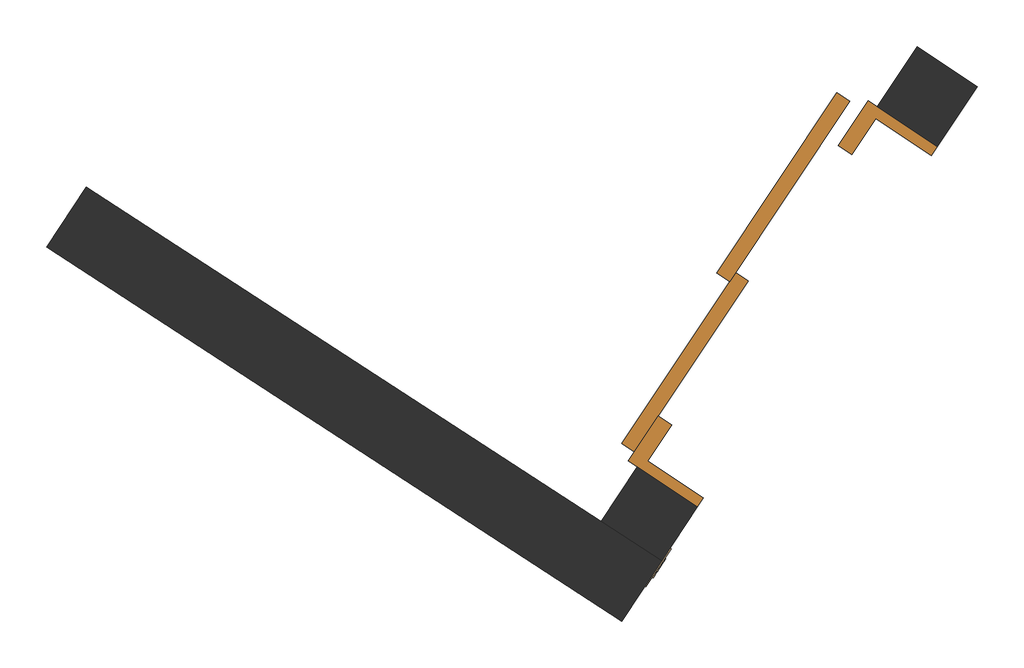
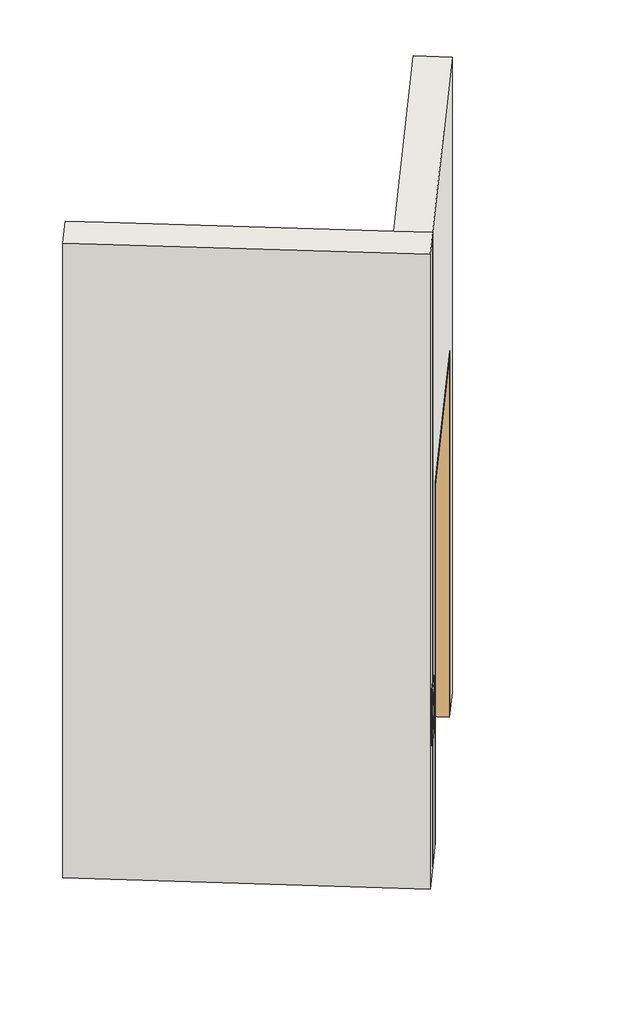
# One storey, part 10 of 18: 2 walls, 1 door.
"""IFC4 building model written with IfcOpenShell, lengths in millimetres."""

import ifcopenshell
import ifcopenshell.guid

model = None  # the IFC model being written
_history = None  # IfcOwnerHistory: only IFC2X3 demands one
_inside = {}  # id of a spatial element -> (the spatial element, [elements in it])
_under = {}  # id of a project, library or spatial element -> (it, [spatial elements below it])
_declared = {}  # id of a project -> (the project, [libraries it declares])
_typed = {}  # id of a type object -> (the type object, [elements of that type])
_made_of = {}  # id of a material, layer set ... -> (it, [elements and type objects made of it])


def new_model(schema):
    """Start an empty IFC model of exactly this schema.

    Asked for "IFC4X3", IfcOpenShell would pick the latest addendum, in which some entities
    have other attributes; the version numbers below select the first issue.
    IFC2X3 requires an IfcOwnerHistory on every rooted entity: one is made here for all.
    """
    global model, _history
    if schema == "IFC4X3":
        model = ifcopenshell.file(schema_version=(4, 3, 0, 0))
    else:
        model = ifcopenshell.file(schema=schema)
    _inside.clear()
    _under.clear()
    _declared.clear()
    _typed.clear()
    _made_of.clear()
    _history = None
    if model.schema == "IFC2X3":
        org = make("IfcOrganization", Name="unknown")
        user = make(
            "IfcPersonAndOrganization",
            ThePerson=make("IfcPerson", FamilyName="unknown"),
            TheOrganization=org,
        )
        app = make(
            "IfcApplication",
            ApplicationDeveloper=org,
            Version="unknown",
            ApplicationFullName="unknown",
            ApplicationIdentifier="unknown",
        )
        _history = make(
            "IfcOwnerHistory",
            OwningUser=user,
            OwningApplication=app,
            ChangeAction="ADDED",
            CreationDate=0,
        )
    return model


def make(cls, **values):
    """One entity of the class cls with the attributes given. An attribute that is None is left unset."""
    return model.create_entity(
        cls, **{name: value for name, value in values.items() if value is not None}
    )


def rooted(cls, **values):
    """An entity with a GlobalId (a new one), such as an element, a storey or a relation."""
    return make(cls, GlobalId=ifcopenshell.guid.new(), OwnerHistory=_history, **values)


def si_unit(unit_type, name, prefix=None):
    """IfcSIUnit, for example si_unit("LENGTHUNIT", "METRE", prefix="MILLI")."""
    return make("IfcSIUnit", UnitType=unit_type, Prefix=prefix, Name=name)


def assignment(units):
    """IfcUnitAssignment: the units of a project."""
    return None if units is None else make("IfcUnitAssignment", Units=units)


def point(xyz):
    """IfcCartesianPoint."""
    return None if xyz is None else make("IfcCartesianPoint", Coordinates=xyz)


def direction(xyz):
    """IfcDirection."""
    return None if xyz is None else make("IfcDirection", DirectionRatios=xyz)


def frame(location, z_axis=None, x_axis=None):
    """IfcAxis2Placement3D, a coordinate frame: its origin and axes. An axis left out is left unset."""
    return make(
        "IfcAxis2Placement3D",
        Location=point(location),
        Axis=direction(z_axis),
        RefDirection=direction(x_axis),
    )


def frame_2d(location, x_axis=None):
    """IfcAxis2Placement2D, a coordinate frame in the plane: its origin and x axis."""
    return make(
        "IfcAxis2Placement2D", Location=point(location), RefDirection=direction(x_axis)
    )


def origin():
    """The frame at (0, 0, 0) with its axes left unset."""
    return frame((0.0, 0.0, 0.0))


def origin_with_axes():
    """The frame at (0, 0, 0) with the z axis (0, 0, 1) and the x axis (1, 0, 0) written out."""
    return frame((0.0, 0.0, 0.0), z_axis=(0.0, 0.0, 1.0), x_axis=(1.0, 0.0, 0.0))


def place(relative_to, where):
    """IfcLocalPlacement: puts the frame where relative to a parent placement (None: the world)."""
    return make(
        "IfcLocalPlacement", PlacementRelTo=relative_to, RelativePlacement=where
    )


def context(
    kind, dimensions, precision=None, world=None, true_north=None, identifier=None
):
    """IfcGeometricRepresentationContext, for example the 3D "Model" context."""
    return make(
        "IfcGeometricRepresentationContext",
        ContextIdentifier=identifier,
        ContextType=kind,
        CoordinateSpaceDimension=dimensions,
        Precision=precision,
        WorldCoordinateSystem=world,
        TrueNorth=true_north,
    )


def project(units=None, contexts=None):
    """IfcProject with its units and contexts."""
    return rooted(
        "IfcProject",
        Name="project",
        RepresentationContexts=contexts,
        UnitsInContext=assignment(units),
    )


def spatial(cls, under=None, at=None, **own):
    """A site, building, storey or space (cls), placed at a placement, below another one or the project."""
    s = rooted(cls, ObjectPlacement=at, **own)
    if under is not None:
        _under.setdefault(under.id(), (under, []))[1].append(s)
    return s


def polyline(points):
    """IfcPolyline through the points."""
    return make("IfcPolyline", Points=[point(p) for p in points])


def circle_curve(where, radius):
    """IfcCircle in the frame where."""
    return make("IfcCircle", Position=where, Radius=radius)


def trimmed(basis, trim1, trim2, sense, master):
    """IfcTrimmedCurve: the piece of a basis curve between two trims."""
    return make(
        "IfcTrimmedCurve",
        BasisCurve=basis,
        Trim1=trim1,
        Trim2=trim2,
        SenseAgreement=sense,
        MasterRepresentation=master,
    )


def segment(curve, same_sense, transition):
    """IfcCompositeCurveSegment."""
    return make(
        "IfcCompositeCurveSegment",
        Transition=transition,
        SameSense=same_sense,
        ParentCurve=curve,
    )


def composite_curve(segments, self_intersect=None):
    """IfcCompositeCurve: segments joined end to end."""
    return make("IfcCompositeCurve", Segments=segments, SelfIntersect=self_intersect)


def outline(outer, holes=None, kind="AREA"):
    """IfcArbitraryClosedProfileDef: a profile drawn as a closed curve; with holes, ...WithVoids."""
    if holes is None:
        return make("IfcArbitraryClosedProfileDef", ProfileType=kind, OuterCurve=outer)
    return make(
        "IfcArbitraryProfileDefWithVoids",
        ProfileType=kind,
        OuterCurve=outer,
        InnerCurves=holes,
    )


def extrude(swept, where, along, depth):
    """IfcExtrudedAreaSolid: the profile swept, set in the frame where, extruded along a direction by depth."""
    return make(
        "IfcExtrudedAreaSolid",
        SweptArea=swept,
        Position=where,
        ExtrudedDirection=direction(along),
        Depth=depth,
    )


def faces_of(points, faces, orient=None, outer=None):
    """IfcFace entities. A face is a list of loops; a loop is a list of indices into points, from 0.

    orient and outer hold one flag for each loop. By default every Orientation is true, the
    first loop of a face is its IfcFaceOuterBound and the others are IfcFaceBound.
    """
    made = []
    for i, loops in enumerate(faces):
        bounds = []
        for j, loop in enumerate(loops):
            is_outer = j == 0 if outer is None else outer[i][j]
            bounds.append(
                make(
                    "IfcFaceOuterBound" if is_outer else "IfcFaceBound",
                    Bound=make("IfcPolyLoop", Polygon=[points[k] for k in loop]),
                    Orientation=True if orient is None else orient[i][j],
                )
            )
        made.append(make("IfcFace", Bounds=bounds))
    return made


def faceted_brep(points, faces, orient=None, outer=None, voids=None):
    """IfcFacetedBrep: a solid bounded by flat faces; with voids (closed shells), ...WithVoids."""
    shared = [point(p) for p in points]
    hull = make("IfcClosedShell", CfsFaces=faces_of(shared, faces, orient, outer))
    if voids is None:
        return make("IfcFacetedBrep", Outer=hull)
    return make(
        "IfcFacetedBrepWithVoids",
        Outer=hull,
        Voids=[
            make(cls, CfsFaces=faces_of(shared, fs, o, b)) for cls, fs, o, b in voids
        ],
    )


def shape(context_of_items, identifier, shape_type, items):
    """IfcShapeRepresentation: the items that make up one representation, for example the "Body"."""
    return make(
        "IfcShapeRepresentation",
        ContextOfItems=context_of_items,
        RepresentationIdentifier=identifier,
        RepresentationType=shape_type,
        Items=items,
    )


def source(mapping_origin, context_of_items, identifier, shape_type, items):
    """IfcRepresentationMap: a shape defined once, which mapped items show again and again."""
    return make(
        "IfcRepresentationMap",
        MappingOrigin=mapping_origin,
        MappedRepresentation=shape(context_of_items, identifier, shape_type, items),
    )


def transform(
    local_origin,
    x_axis=None,
    y_axis=None,
    z_axis=None,
    scale=None,
    scale2=None,
    scale3=None,
    uniform=True,
):
    """IfcCartesianTransformationOperator3D, or its non-uniform kind. x_axis, y_axis, z_axis: its Axis1, 2, 3."""
    if uniform:
        return make(
            "IfcCartesianTransformationOperator3D",
            Axis1=direction(x_axis),
            Axis2=direction(y_axis),
            LocalOrigin=point(local_origin),
            Scale=scale,
            Axis3=direction(z_axis),
        )
    return make(
        "IfcCartesianTransformationOperator3DnonUniform",
        Axis1=direction(x_axis),
        Axis2=direction(y_axis),
        LocalOrigin=point(local_origin),
        Scale=scale,
        Axis3=direction(z_axis),
        Scale2=scale2,
        Scale3=scale3,
    )


def mapped(mapping_source, mapping_target):
    """IfcMappedItem: shows the shape of a source again, moved by a transform."""
    return make(
        "IfcMappedItem", MappingSource=mapping_source, MappingTarget=mapping_target
    )


def made_of(thing, what):
    """Note that an element or type object is made of a material, layer set ...; save() writes the relation."""
    if what is not None:
        _made_of.setdefault(what.id(), (what, []))[1].append(thing)
    return thing


def element(
    cls,
    number,
    at=None,
    inside=None,
    cuts=None,
    type_object=None,
    material=None,
    context=None,
    identifier="Body",
    shape_type=None,
    held_by="IfcProductDefinitionShape",
    body=None,
    shapes=None,
    **own,
):
    """One element of the class cls, such as IfcWall. Its Tag is "e" and its number.

    at: its placement. inside: the storey or other place that contains it. cuts: it is an
    opening in that element (IfcRelVoidsElement). A single representation is given by context,
    identifier, shape_type and body (its items); several are given by shapes. held_by: the class
    of the entity that holds the representations. save() writes the other relations.
    """
    e = rooted(cls, Tag="e%d" % number, ObjectPlacement=at, **own)
    if body is not None:
        shapes = [shape(context, identifier, shape_type, body)]
    if shapes is not None:
        e.Representation = make(held_by, Representations=shapes)
    if inside is not None:
        _inside.setdefault(inside.id(), (inside, []))[1].append(e)
    if cuts is not None:
        rooted(
            "IfcRelVoidsElement", RelatingBuildingElement=cuts, RelatedOpeningElement=e
        )
    if type_object is not None:
        _typed.setdefault(type_object.id(), (type_object, []))[1].append(e)
    return made_of(e, material)


def aggregate(whole, parts):
    """IfcRelAggregates: a whole, such as a stair, and the parts it consists of."""
    return rooted("IfcRelAggregates", RelatingObject=whole, RelatedObjects=parts)


def save(model, path):
    """Write the relations noted so far, then the file.

    IfcRelAggregates (storeys below a building ...), IfcRelContainedInSpatialStructure (elements
    in a storey), IfcRelDefinesByType, IfcRelAssociatesMaterial and IfcRelDeclares: one each for
    every whole, place, type object, material and project.
    """
    for whole, parts in _under.values():
        aggregate(whole, parts)
    for where, things in _inside.values():
        rooted(
            "IfcRelContainedInSpatialStructure",
            RelatedElements=things,
            RelatingStructure=where,
        )
    for kind, things in _typed.values():
        rooted("IfcRelDefinesByType", RelatedObjects=things, RelatingType=kind)
    for what, things in _made_of.values():
        rooted("IfcRelAssociatesMaterial", RelatedObjects=things, RelatingMaterial=what)
    for by, libraries in _declared.values():
        rooted("IfcRelDeclares", RelatingContext=by, RelatedDefinitions=libraries)
    model.write(path)


def plane_surface(at):
    """IfcPlane: the flat surface through the origin of the frame at, square to its z axis."""
    return make("IfcPlane", Position=at)


def cylinder_surface(at, radius):
    """IfcCylindricalSurface: all points at the distance radius from the z axis of the frame at."""
    return make("IfcCylindricalSurface", Position=at, Radius=radius)


def revolved_surface(curve, axis_point, axis_direction):
    """IfcSurfaceOfRevolution: the curve turned about the line through axis_point along axis_direction."""
    return make(
        "IfcSurfaceOfRevolution",
        SweptCurve=make("IfcArbitraryOpenProfileDef", ProfileType="CURVE", Curve=curve),
        AxisPosition=make("IfcAxis1Placement", Location=point(axis_point), Axis=direction(axis_direction)),
    )


def advanced_brep(points, edges, surfaces, faces):
    """IfcAdvancedBrep: a solid bounded by faces that lie on surfaces and meet in shared edges.

    An edge is (start, end): straight between two places in points (the first is 0);
    or (start, end, curve); or (start, end, curve, False) where it runs against its curve.
    A face is (place in surfaces, loops), or (place, loops, False) where it looks against
    its surface's normal. A loop lists edges by number (the first is 1), with a minus sign
    where the edge is run from its end to its start. The first loop is the outer one.
    """
    corners = [point(p) for p in points]
    vertices = [make("IfcVertexPoint", VertexGeometry=c) for c in corners]
    made = []
    for start, end, *more in edges:
        made.append(
            make(
                "IfcEdgeCurve",
                EdgeStart=vertices[start],
                EdgeEnd=vertices[end],
                EdgeGeometry=more[0] if more else make("IfcPolyline", Points=[corners[start], corners[end]]),
                SameSense=more[1] if len(more) > 1 else True,
            )
        )
    hull = []
    for where, loops, *sense in faces:
        bounds = []
        for j, loop in enumerate(loops):
            ring = [make("IfcOrientedEdge", EdgeElement=made[abs(k) - 1], Orientation=k > 0) for k in loop]
            bounds.append(
                make(
                    "IfcFaceOuterBound" if j == 0 else "IfcFaceBound",
                    Bound=make("IfcEdgeLoop", EdgeList=ring),
                    Orientation=True,
                )
            )
        hull.append(make("IfcAdvancedFace", Bounds=bounds, FaceSurface=surfaces[where], SameSense=sense[0] if sense else True))
    return make("IfcAdvancedBrep", Outer=make("IfcClosedShell", CfsFaces=hull))


def side_opening_elevatorlift_door_with_call_buttons_9478_12000_64bb0ec5(model_context):
    return source(origin(), model_context, "Body", "SolidModel", [
        advanced_brep(
        [(-831.75, -106.35, 1076.2), (-768.25, -106.35, 1076.2), (-830.1625, -106.35, 1076.2), (-769.8375, -106.35, 1076.2), (-736.5, -100.0, 1177.8), (-736.5, -100.0, 822.2), (-863.5, -100.0, 822.2), (-863.5, -100.0, 1177.8), (-831.75, -103.175, 1076.2), (-768.25, -103.175, 1076.2), (-830.1625, -103.175, 1076.2), (-769.8375, -103.175, 1076.2), (-736.5, -103.175, 1177.8), (-863.5, -103.175, 1177.8), (-863.5, -103.175, 822.2), (-736.5, -103.175, 822.2), (-768.25, -103.175, 923.8), (-831.75, -103.175, 923.8), (-769.8375, -103.175, 923.8), (-830.1625, -103.175, 923.8), (-831.75, -106.35, 923.8), (-768.25, -106.35, 923.8), (-830.1625, -106.35, 923.8), (-769.8375, -106.35, 923.8)],
        [
            (0, 1, circle_curve(frame((-800.0, -106.35, 1076.2), z_axis=(0.0, -1.0, 0.0), x_axis=(1.0, 0.0, 0.0)), 31.75)),
            (1, 0, circle_curve(frame((-800.0, -106.35, 1076.2), z_axis=(0.0, -1.0, 0.0), x_axis=(1.0, 0.0, 0.0)), 31.75)),
            (2, 3, circle_curve(frame((-800.0, -106.35, 1076.2), z_axis=(0.0, 1.0, 0.0), x_axis=(1.0, 0.0, 0.0)), 30.1625)),
            (3, 2, circle_curve(frame((-800.0, -106.35, 1076.2), z_axis=(0.0, 1.0, 0.0), x_axis=(1.0, 0.0, 0.0)), 30.1625)),
            (4, 5),
            (5, 6),
            (6, 7),
            (7, 4),
            (0, 8),
            (8, 9, circle_curve(frame((-800.0, -103.175, 1076.2), z_axis=(0.0, -1.0, 0.0), x_axis=(1.0, 0.0, 0.0)), 31.75)),
            (9, 1),
            (9, 8, circle_curve(frame((-800.0, -103.175, 1076.2), z_axis=(0.0, -1.0, 0.0), x_axis=(1.0, 0.0, 0.0)), 31.75)),
            (2, 10),
            (10, 11, circle_curve(frame((-800.0, -103.175, 1076.2), z_axis=(0.0, 1.0, 0.0), x_axis=(1.0, 0.0, 0.0)), 30.1625)),
            (11, 3),
            (11, 10, circle_curve(frame((-800.0, -103.175, 1076.2), z_axis=(0.0, 1.0, 0.0), x_axis=(1.0, 0.0, 0.0)), 30.1625)),
            (12, 13),
            (13, 14),
            (14, 15),
            (15, 12),
            (16, 17, circle_curve(frame((-800.0, -103.175, 923.8), z_axis=(0.0, 1.0, 0.0), x_axis=(1.0, 0.0, 0.0)), 31.75)),
            (17, 16, circle_curve(frame((-800.0, -103.175, 923.8), z_axis=(0.0, 1.0, 0.0), x_axis=(1.0, 0.0, 0.0)), 31.75)),
            (18, 19, circle_curve(frame((-800.0, -103.175, 923.8), z_axis=(0.0, -1.0, 0.0), x_axis=(1.0, 0.0, 0.0)), 30.1625)),
            (19, 18, circle_curve(frame((-800.0, -103.175, 923.8), z_axis=(0.0, -1.0, 0.0), x_axis=(1.0, 0.0, 0.0)), 30.1625)),
            (12, 4),
            (7, 13),
            (6, 14),
            (5, 15),
            (20, 21, circle_curve(frame((-800.0, -106.35, 923.8), z_axis=(0.0, -1.0, 0.0), x_axis=(1.0, 0.0, 0.0)), 31.75)),
            (21, 20, circle_curve(frame((-800.0, -106.35, 923.8), z_axis=(0.0, -1.0, 0.0), x_axis=(1.0, 0.0, 0.0)), 31.75)),
            (22, 23, circle_curve(frame((-800.0, -106.35, 923.8), z_axis=(0.0, 1.0, 0.0), x_axis=(1.0, 0.0, 0.0)), 30.1625)),
            (23, 22, circle_curve(frame((-800.0, -106.35, 923.8), z_axis=(0.0, 1.0, 0.0), x_axis=(1.0, 0.0, 0.0)), 30.1625)),
            (20, 17),
            (16, 21),
            (22, 19),
            (18, 23),
        ],
        [
            plane_surface(frame((-768.25, -106.35, 1076.2), z_axis=(0.0, -1.0, 0.0), x_axis=(0.0, 0.0, 1.0))),
            plane_surface(frame((-768.25, -100.0, 1076.2), z_axis=(0.0, 1.0, 0.0), x_axis=(0.0, 0.0, -1.0))),
            cylinder_surface(frame((-800.0, -100.0, 1076.2), z_axis=(0.0, -1.0, 0.0), x_axis=(1.0, 0.0, 0.0)), 31.75),
            revolved_surface(polyline([(-769.8375, -103.175, 1076.2), (-769.8375, -106.35, 1076.2)]), (-800.0, -100.0, 1076.2), (0.0, 1.0, 0.0)),
            plane_surface(frame((-863.5, -103.175, 1177.8), z_axis=(0.0, -1.0, 0.0), x_axis=(-1.0, 0.0, 0.0))),
            plane_surface(frame((-736.5, -103.175, 1177.8), z_axis=(0.0, 0.0, 1.0), x_axis=(0.0, 1.0, 0.0))),
            plane_surface(frame((-863.5, -103.175, 1177.8), z_axis=(-1.0, 0.0, 0.0), x_axis=(0.0, 1.0, 0.0))),
            plane_surface(frame((-863.5, -103.175, 822.2), z_axis=(0.0, 0.0, -1.0), x_axis=(0.0, 1.0, 0.0))),
            plane_surface(frame((-736.5, -103.175, 822.2), z_axis=(1.0, 0.0, 0.0), x_axis=(0.0, 1.0, 0.0))),
            plane_surface(frame((-768.25, -106.35, 923.8), z_axis=(0.0, -1.0, 0.0), x_axis=(0.0, 0.0, 1.0))),
            cylinder_surface(frame((-800.0, -100.0, 923.8), z_axis=(0.0, -1.0, 0.0), x_axis=(1.0, 0.0, 0.0)), 31.75),
            revolved_surface(polyline([(-769.8375, -103.175, 923.8), (-769.8375, -106.35, 923.8)]), (-800.0, -100.0, 923.8), (0.0, 1.0, 0.0)),
        ],
        [
            (0, [[1, 2], [3, 4]]),
            (1, [[5, 6, 7, 8]]),
            (2, [[-1, 9, 10, 11]]),
            (2, [[-2, -11, 12, -9]]),
            (3, [[-3, 13, 14, 15]]),
            (3, [[-4, -15, 16, -13]]),
            (4, [[-14, -16]]),
            (4, [[17, 18, 19, 20], [-10, -12], [21, 22]]),
            (4, [[23, 24]]),
            (5, [[-17, 25, -8, 26]]),
            (6, [[-18, -26, -7, 27]]),
            (7, [[-19, -27, -6, 28]]),
            (8, [[-20, -28, -5, -25]]),
            (9, [[29, 30], [31, 32]]),
            (10, [[-29, 33, -21, 34]]),
            (10, [[-30, -34, -22, -33]]),
            (11, [[-31, 35, -23, 36]]),
            (11, [[-32, -36, -24, -35]]),
        ],
    ),
        extrude(outline(composite_curve([segment(trimmed(circle_curve(frame_2d((1076.2, -800.0)), 30.1625), [point((1076.2, -830.1625))], [point((1076.2, -769.8375))], False, "CARTESIAN"), True, "CONTINUOUS"), segment(trimmed(circle_curve(frame_2d((1076.2, -800.0)), 30.1625), [point((1076.2, -769.8375))], [point((1076.2, -830.1625))], False, "CARTESIAN"), True, "CONTINUOUS")], self_intersect=False)), frame((0.0, -104.7625, 0.0), z_axis=(0.0, 1.0, 0.0), x_axis=(0.0, 0.0, 1.0)), (0.0, 0.0, 1.0), 4.7625),
        extrude(outline(composite_curve([segment(trimmed(circle_curve(frame_2d((923.8, -800.0)), 30.1625), [point((923.8, -830.1625))], [point((923.8, -769.8375))], False, "CARTESIAN"), True, "CONTINUOUS"), segment(trimmed(circle_curve(frame_2d((923.8, -800.0)), 30.1625), [point((923.8, -769.8375))], [point((923.8, -830.1625))], False, "CARTESIAN"), True, "CONTINUOUS")], self_intersect=False)), frame((0.0, -104.7625, 0.0), z_axis=(0.0, 1.0, 0.0), x_axis=(0.0, 0.0, 1.0)), (0.0, 0.0, 1.0), 4.7625),
        faceted_brep([(-600.0, -100.0, 0.0), (-600.0, 130.0, 0.0), (-450.0, 130.0, 0.0), (-450.0, 85.0, 0.0), (-570.0, 85.0, 0.0), (-570.0, -100.0, 0.0), (-600.0, -100.0, 2290.0), (-600.0, 130.0, 2290.0), (600.0, 130.0, 2290.0), (600.0, 130.0, 0.0), (450.0, 130.0, 0.0), (450.0, 130.0, 2140.0), (-450.0, 130.0, 2140.0), (-450.0, 85.0, 2140.0), (450.0, 85.0, 2140.0), (450.0, 85.0, 0.0), (570.0, 85.0, 0.0), (570.0, 85.0, 2260.0), (-570.0, 85.0, 2260.0), (-570.0, -100.0, 2260.0), (570.0, -100.0, 2260.0), (570.0, -100.0, 0.0), (600.0, -100.0, 0.0), (600.0, -100.0, 2290.0)], [[[0, 1, 2, 3, 4, 5]], [[1, 0, 6, 7]], [[2, 1, 7, 8, 9, 10, 11, 12]], [[3, 2, 12, 13]], [[4, 3, 13, 14, 15, 16, 17, 18]], [[5, 4, 18, 19]], [[0, 5, 19, 20, 21, 22, 23, 6]], [[8, 23, 22, 9]], [[22, 21, 16, 15, 10, 9]], [[14, 11, 10, 15]], [[20, 17, 16, 21]], [[7, 6, 23, 8]], [[13, 12, 11, 14]], [[19, 18, 17, 20]]]),
        extrude(outline(polyline([(570.0, 215.0), (570.0, 172.5), (-30.0, 172.5), (-30.0, 215.0), (570.0, 215.0)])), origin_with_axes(), (0.0, 0.0, 1.0), 2260.0),
        extrude(outline(polyline([(0.0, 172.5), (0.0, 130.0), (-570.0, 130.0), (-570.0, 172.5), (0.0, 172.5)])), origin_with_axes(), (0.0, 0.0, 1.0), 2260.0),
    ])


model = new_model("IFC4")

# Units and contexts
model_context = context("Model", 3, world=origin())
ifc_project = project(units=[si_unit("LENGTHUNIT", "METRE", prefix="MILLI")], contexts=[model_context])

# Site, building, storey
site = spatial("IfcSite", under=ifc_project)
building = spatial("IfcBuilding", under=site)
storey = spatial("IfcBuildingStorey", under=building, Elevation=12680.0)

# Door
placement = place(None, origin())
side_opening_elevatorlift_door_with_call_buttons_9478_12000_shape = side_opening_elevatorlift_door_with_call_buttons_9478_12000_64bb0ec5(model_context)
element("IfcDoor", 1, ObjectType="Side_opening_ElevatorLift_Door_with_Call_buttons_9478 : 12000 x 2290 Opening", at=placement, inside=storey, context=model_context, shape_type="MappedRepresentation", body=[
    mapped(side_opening_elevatorlift_door_with_call_buttons_9478_12000_shape, transform((-248901.089321, 54796.2912593, 12680.0), x_axis=(0.5538997763716909, 0.8325833518245431, 0.0), y_axis=(-0.8325833518245431, 0.5538997763716909, 0.0), z_axis=(0.0, 0.0, 1.0))),
])

# Walls
element("IfcWall", 2, ObjectType="Generic - 200mm - Filled", at=placement, inside=storey, context=model_context, shape_type="Brep", body=[
    faceted_brep([(-250953.0784324, 54961.5764678, 12680.0), (-249360.4595925, 53925.2599629, 12680.0), (-249360.4595925, 53925.2599629, 16680.0), (-250953.0784324, 54961.5764678, 16680.0), (-250843.0028149, 55128.5637999, 12680.0), (-250843.0028149, 55128.5637999, 16680.0), (-250675.364748, 55019.4817702, 16680.0), (-249417.3176908, 54200.8710037, 16680.0), (-249249.6739035, 54091.7852518, 16680.0), (-249249.6739035, 54091.7852518, 12680.0), (-249417.3176908, 54200.8710037, 12680.0), (-250675.364748, 55019.4817702, 12680.0)], [[[0, 1, 2, 3]], [[4, 5, 6, 7, 8, 9, 10, 11]], [[1, 0, 4, 11, 10, 9]], [[3, 2, 8, 7, 6, 5]], [[2, 1, 9, 8]], [[0, 3, 5, 4]]]),
])
element("IfcWall", 3, ObjectType="Generic - 200mm - Filled", at=placement, inside=storey, context=model_context, shape_type="Brep", body=[
    faceted_brep([(-248541.2278351, 55517.7479184, 12680.0), (-248652.0077904, 55351.2312481, 12680.0), (-248652.0077904, 55351.2312481, 14970.0), (-249316.687522, 54352.1312259, 14970.0), (-249316.687522, 54352.1312259, 12680.0), (-249417.3176908, 54200.8710037, 12680.0), (-249417.3176908, 54200.8710037, 16680.0), (-248541.2278351, 55517.7479184, 16680.0), (-248485.49112, 55240.4512928, 14970.0), (-248485.49112, 55240.4512928, 12680.0), (-248374.7111648, 55406.9679632, 12680.0), (-248374.7111648, 55406.9679632, 16680.0), (-249249.6739035, 54091.7852518, 16680.0), (-249249.6739035, 54091.7852518, 12680.0), (-249150.1708517, 54241.3512706, 12680.0), (-249150.1708517, 54241.3512706, 14970.0)], [[[0, 1, 2, 3, 4, 5, 6, 7]], [[8, 9, 10, 11, 12, 13, 14, 15]], [[14, 13, 5, 4]], [[10, 9, 1, 0]], [[7, 6, 12, 11]], [[6, 5, 13, 12]], [[0, 7, 11, 10]], [[2, 1, 9, 8]], [[3, 2, 8, 15]], [[4, 3, 15, 14]]]),
])

save(model, "model.ifc")
